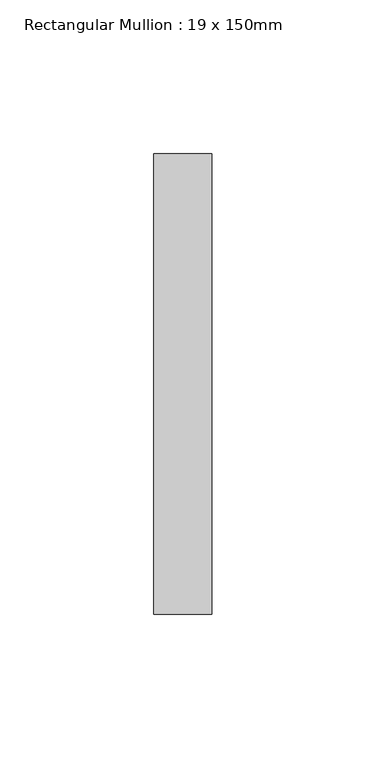
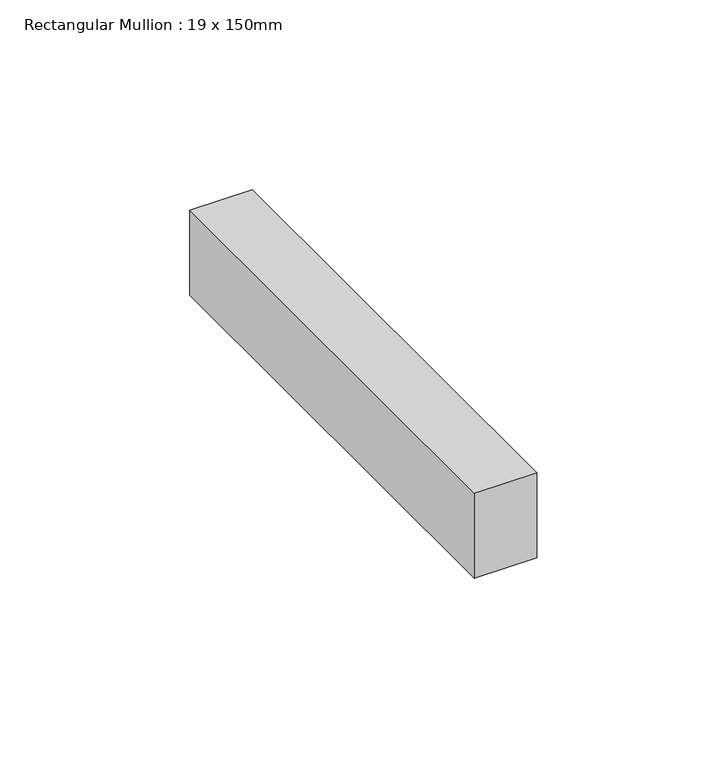
"""IFC4 building model written with IfcOpenShell, lengths in millimetres: member geometry, Rectangular Mullion : 19 x 150mm."""

from ifc_helpers import new_model, si_unit, frame, origin, place, context, project, spatial, polyline, outline, extrude, source, transform, mapped, element, save


def rectangular_mullion_19_x_150mm_845a5c1c(model_context):
    return source(origin(), model_context, "Body", "SweptSolid", [
        extrude(outline(polyline([(9.5, -25.0), (9.5, -175.0), (-9.5, -175.0), (-9.5, -25.0), (9.5, -25.0)])), frame((0.0, 0.0, -27.3563221), z_axis=(0.0, 0.0, 1.0), x_axis=(1.0, 0.0, 0.0)), (0.0, 0.0, 1.0), 27.3563221),
    ])


if __name__ == "__main__":
    model = new_model("IFC4")
    model_context = context("Model", 3, world=origin())
    ifc_project = project(units=[si_unit("LENGTHUNIT", "METRE", prefix="MILLI")], contexts=[model_context])
    site = spatial("IfcSite", under=ifc_project)
    building = spatial("IfcBuilding", under=site)
    placement = place(None, origin())
    rectangular_mullion_19_x_150mm_shape = rectangular_mullion_19_x_150mm_845a5c1c(model_context)
    element("IfcMember", 1, ObjectType="Rectangular Mullion : 19 x 150mm", at=placement, inside=building, context=model_context, shape_type="MappedRepresentation", body=[
        mapped(rectangular_mullion_19_x_150mm_shape, transform((0.0, 0.0, 0.0), x_axis=(1.0, 0.0, 0.0), y_axis=(0.0, 1.0, 0.0), z_axis=(0.0, 0.0, 1.0))),
    ])
    save(model, "model.ifc")
